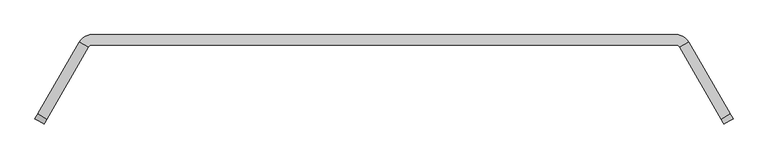
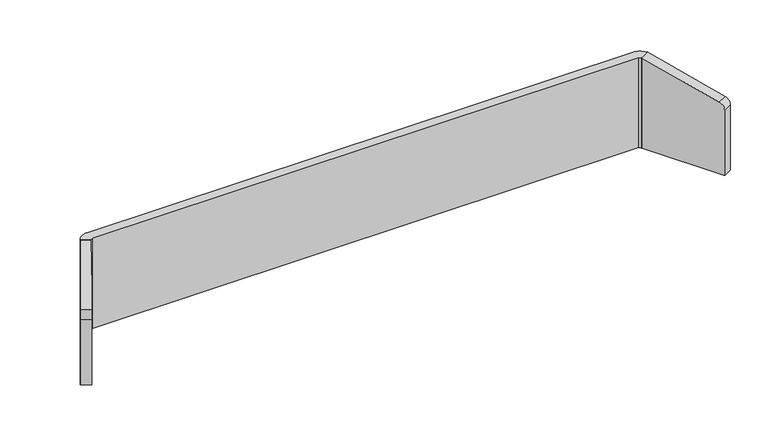
"""IFC4 building model written with IfcOpenShell, lengths in millimetres: furniture geometry."""

from ifc_helpers import new_model, si_unit, point, frame, frame_2d, origin, place, context, project, spatial, polyline, circle_curve, trimmed, segment, composite_curve, outline, extrude, source, transform, mapped, element, save


def furniture_54c4062f(model_context):
    return source(origin(), model_context, "Body", "SweptSolid", [
        extrude(outline(composite_curve([segment(polyline([(-24.6357364, -31.5838899), (-96.0023032, 252.7303432), (254.0471204, 252.7303432), (254.0471204, -50.8), (0.0, -50.8)]), True, "CONTINUOUS"), segment(trimmed(circle_curve(frame_2d((0.0, -25.4)), 25.4), [point((0.0, -50.8))], [point((-24.6357364, -31.5838899))], False, "CARTESIAN"), True, "CONTINUOUS")], self_intersect=False)), frame((1705.7134341, -199.7084847, 1006.5221204), z_axis=(0.8670407655731922, 0.4982372033823375, 0.0), x_axis=(0.0, 0.0, -1.0)), (0.0, 0.0, 1.0), 35.9627605),
        extrude(outline(composite_curve([segment(trimmed(circle_curve(frame_2d((0.0, 25.3999999)), 25.4), [point((-24.6357364, 31.5838899))], [point((0.0, 50.8))], False, "CARTESIAN"), True, "CONTINUOUS"), segment(polyline([(0.0, 50.8), (254.0471204, 50.8), (254.0471204, -252.7303433), (-96.0023032, -252.7303433), (-24.6357364, 31.5838899)]), True, "CONTINUOUS")], self_intersect=False)), frame((-564.7263264, -199.7084847, 1006.5221204), z_axis=(-0.8670407655731922, 0.4982372033823375, 0.0), x_axis=(0.0, 0.0, -1.0)), (0.0, 0.0, 1.0), 35.9627605),
        extrude(outline(composite_curve([segment(trimmed(circle_curve(frame_2d((1572.7630604, 36.5621094)), 25.4), [point((1572.7630604, 61.9621094))], [point((1578.2224902, 61.3684518))], False, "CARTESIAN"), True, "CONTINUOUS"), segment(trimmed(circle_curve(frame_2d((1567.4577624, 12.4561043)), 50.0829023), [point((1578.2224902, 61.3684518))], [point((1610.9359467, 37.3145956))], False, "CARTESIAN"), True, "CONTINUOUS"), segment(polyline([(1610.9359467, 37.3145956), (1579.7952673, 19.4198833)]), True, "CONTINUOUS"), segment(trimmed(circle_curve(frame_2d((1566.2326319, 12.9300975)), 15.0353716), [point((1579.7952673, 19.4198833))], [point((1570.4073623, 27.3742667))], True, "CARTESIAN"), True, "CONTINUOUS"), segment(polyline([(1570.4073623, 27.3742667), (-429.4202545, 27.3742667)]), True, "CONTINUOUS"), segment(trimmed(circle_curve(frame_2d((-425.2455241, 12.9300975)), 15.0353716), [point((-429.4202545, 27.3742667))], [point((-438.8081595, 19.4198833))], True, "CARTESIAN"), True, "CONTINUOUS"), segment(polyline([(-438.8081595, 19.4198833), (-469.948839, 37.3145956)]), True, "CONTINUOUS"), segment(trimmed(circle_curve(frame_2d((-426.4706546, 12.4561043)), 50.0829023), [point((-469.948839, 37.3145956))], [point((-437.2353824, 61.3684518))], False, "CARTESIAN"), True, "CONTINUOUS"), segment(trimmed(circle_curve(frame_2d((-431.7759527, 36.5621094)), 25.4), [point((-437.2353824, 61.3684518))], [point((-431.7759527, 61.9621094))], False, "CARTESIAN"), True, "CONTINUOUS"), segment(polyline([(-431.7759527, 61.9621094), (1572.7630604, 61.9621094)]), True, "CONTINUOUS")], self_intersect=False)), frame((0.0, 0.0, 752.475), z_axis=(0.0, 0.0, 1.0), x_axis=(1.0, 0.0, 0.0)), (0.0, 0.0, 1.0), 350.04375),
    ])


if __name__ == "__main__":
    model = new_model("IFC4")
    model_context = context("Model", 3, world=origin())
    ifc_project = project(units=[si_unit("LENGTHUNIT", "METRE", prefix="MILLI")], contexts=[model_context])
    site = spatial("IfcSite", under=ifc_project)
    building = spatial("IfcBuilding", under=site)
    placement = place(None, origin())
    furniture_shape = furniture_54c4062f(model_context)
    element("IfcFurniture", 1, at=placement, inside=building, context=model_context, shape_type="MappedRepresentation", body=[
        mapped(furniture_shape, transform((0.0, 0.0, 0.0), x_axis=(1.0, 0.0, 0.0), y_axis=(0.0, 1.0, 0.0), z_axis=(0.0, 0.0, 1.0))),
    ])
    save(model, "model.ifc")
